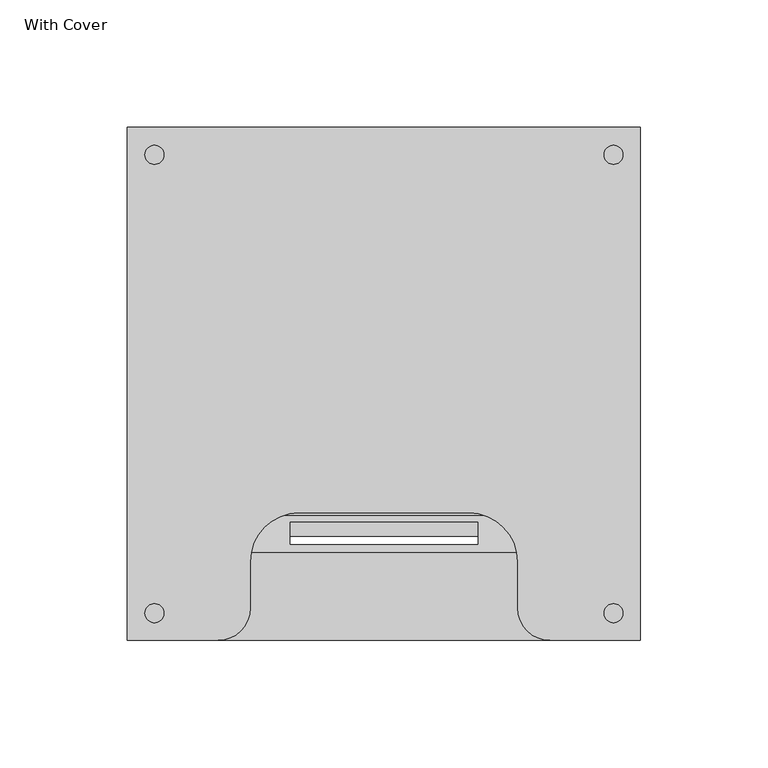
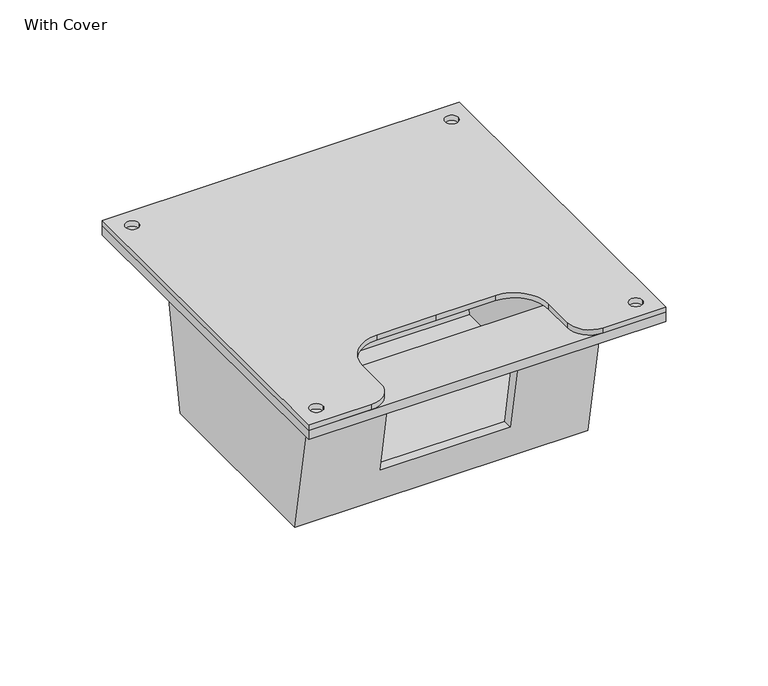
"""IFC4 building model written with IfcOpenShell, lengths in millimetres: proxy geometry, With Cover."""

from ifc_helpers import new_model, si_unit, point, frame, frame_2d, origin, origin_with_axes, place, context, project, spatial, polyline, circle_curve, trimmed, segment, composite_curve, outline, extrude, faceted_brep, source, transform, mapped, element, save


def with_cover_51195d28(model_context):
    return source(origin(), model_context, "Body", "SolidModel", [
        extrude(outline(composite_curve([segment(polyline([(100.584, 100.584), (100.584, -100.584), (65.151, -100.584)]), True, "CONTINUOUS"), segment(trimmed(circle_curve(frame_2d((65.151, -87.884)), 12.7), [point((65.151, -100.584))], [point((52.451, -87.884))], False, "CARTESIAN"), True, "CONTINUOUS"), segment(polyline([(52.451, -87.884), (52.451, -69.6204158)]), True, "CONTINUOUS"), segment(trimmed(circle_curve(frame_2d((33.401, -69.6204158)), 19.05), [point((52.451, -69.6204158))], [point((33.401, -50.5704158))], True, "CARTESIAN"), True, "CONTINUOUS"), segment(polyline([(33.401, -50.5704158), (0.0, -50.5704158), (-33.401, -50.5704158)]), True, "CONTINUOUS"), segment(trimmed(circle_curve(frame_2d((-33.401, -69.6204158)), 19.05), [point((-33.401, -50.5704158))], [point((-52.451, -69.6204158))], True, "CARTESIAN"), True, "CONTINUOUS"), segment(polyline([(-52.451, -69.6204158), (-52.451, -87.884)]), True, "CONTINUOUS"), segment(trimmed(circle_curve(frame_2d((-65.151, -87.884)), 12.7), [point((-52.451, -87.884))], [point((-65.151, -100.584))], False, "CARTESIAN"), True, "CONTINUOUS"), segment(polyline([(-65.151, -100.584), (-100.584, -100.584), (-100.584, 100.584), (100.584, 100.584)]), True, "CONTINUOUS")], self_intersect=False), holes=[composite_curve([segment(trimmed(circle_curve(frame_2d((-90.0128332, 89.8594017)), 3.7140869), [point((-93.7269201, 89.8594017))], [point((-86.2987463, 89.8594017))], True, "CARTESIAN"), True, "CONTINUOUS"), segment(trimmed(circle_curve(frame_2d((-90.0128332, 89.8594017)), 3.7140869), [point((-86.2987463, 89.8594017))], [point((-93.7269201, 89.8594017))], True, "CARTESIAN"), True, "CONTINUOUS")], self_intersect=False), composite_curve([segment(trimmed(circle_curve(frame_2d((90.0128332, 89.8594017)), 3.7140869), [point((86.2987463, 89.8594017))], [point((93.7269201, 89.8594017))], True, "CARTESIAN"), True, "CONTINUOUS"), segment(trimmed(circle_curve(frame_2d((90.0128332, 89.8594017)), 3.7140869), [point((93.7269201, 89.8594017))], [point((86.2987463, 89.8594017))], True, "CARTESIAN"), True, "CONTINUOUS")], self_intersect=False), composite_curve([segment(trimmed(circle_curve(frame_2d((-90.0128332, -89.8594017)), 3.7140869), [point((-93.7269201, -89.8594017))], [point((-86.2987463, -89.8594017))], True, "CARTESIAN"), True, "CONTINUOUS"), segment(trimmed(circle_curve(frame_2d((-90.0128332, -89.8594017)), 3.7140869), [point((-86.2987463, -89.8594017))], [point((-93.7269201, -89.8594017))], True, "CARTESIAN"), True, "CONTINUOUS")], self_intersect=False), composite_curve([segment(trimmed(circle_curve(frame_2d((90.0128332, -89.8594017)), 3.7140869), [point((86.2987463, -89.8594017))], [point((93.7269201, -89.8594017))], True, "CARTESIAN"), True, "CONTINUOUS"), segment(trimmed(circle_curve(frame_2d((90.0128332, -89.8594017)), 3.7140869), [point((93.7269201, -89.8594017))], [point((86.2987463, -89.8594017))], True, "CARTESIAN"), True, "CONTINUOUS")], self_intersect=False)]), frame((0.0, 0.0, 5.588), z_axis=(0.0, 0.0, 1.0), x_axis=(1.0, 0.0, 0.0)), (0.0, 0.0, 1.0), 3.048),
        extrude(outline(polyline([(100.584, 100.584), (100.584, -100.584), (-100.584, -100.584), (-100.584, 100.584), (100.584, 100.584)]), holes=[polyline([(77.851, 65.913), (-77.851, 65.913), (-77.851, -65.913), (77.851, -65.913), (77.851, 65.913)])]), origin_with_axes(), (0.0, 0.0, 1.0), 5.588),
        faceted_brep([(82.55, -71.4880474, 0.0), (82.55, 71.4880474, 0.0), (-82.55, 71.4880474, 0.0), (-82.55, -71.4880474, 0.0), (-77.851, 65.913, 0.0), (77.851, 65.913, 0.0), (77.851, -65.913, 0.0), (-77.851, -65.913, 0.0), (-77.851, 51.5137842, -80.01), (77.851, 51.5137842, -80.01), (36.703, 62.7919602, -17.3422221), (36.703, 54.1596689, -65.3080024), (-36.703, 54.1596689, -65.3080024), (-36.703, 62.7919602, -17.3422221), (-77.851, -51.5137842, -80.01), (77.851, -51.5137842, -80.01), (36.703, -54.1596689, -65.3080024), (36.703, -62.7919602, -17.3422221), (-36.703, -62.7919602, -17.3422221), (-36.703, -54.1596689, -65.3080024), (82.55, -56.083172, -85.598), (-82.55, -56.083172, -85.598), (36.703, -68.3670075, -17.3422221), (36.703, -59.7347163, -65.3080024), (-36.703, -59.7347163, -65.3080024), (-36.703, -68.3670075, -17.3422221), (82.55, 56.083172, -85.598), (-82.55, 56.083172, -85.598), (36.703, 59.7347163, -65.3080024), (36.703, 68.3670075, -17.3422221), (-36.703, 68.3670075, -17.3422221), (-36.703, 59.7347163, -65.3080024)], [[[0, 1, 2, 3], [4, 5, 6, 7]], [[5, 4, 8, 9], [10, 11, 12, 13]], [[9, 8, 14, 15]], [[15, 14, 7, 6], [16, 17, 18, 19]], [[20, 0, 3, 21], [22, 23, 24, 25]], [[26, 20, 21, 27]], [[1, 26, 27, 2], [28, 29, 30, 31]], [[6, 5, 9, 15]], [[20, 26, 1, 0]], [[4, 7, 14, 8]], [[21, 3, 2, 27]], [[10, 29, 28, 11]], [[12, 31, 30, 13]], [[11, 28, 31, 12]], [[29, 10, 13, 30]], [[16, 23, 22, 17]], [[18, 25, 24, 19]], [[23, 16, 19, 24]], [[17, 22, 25, 18]]]),
    ])


if __name__ == "__main__":
    model = new_model("IFC4")
    model_context = context("Model", 3, world=origin())
    ifc_project = project(units=[si_unit("LENGTHUNIT", "METRE", prefix="MILLI")], contexts=[model_context])
    site = spatial("IfcSite", under=ifc_project)
    building = spatial("IfcBuilding", under=site)
    placement = place(None, origin())
    with_cover_shape = with_cover_51195d28(model_context)
    element("IfcBuildingElementProxy", 1, Name="With Cover", ObjectType="With Cover", at=placement, inside=building, context=model_context, shape_type="MappedRepresentation", body=[
        mapped(with_cover_shape, transform((0.0, 0.0, 0.0), x_axis=(1.0, 0.0, 0.0), y_axis=(0.0, 1.0, 0.0), z_axis=(0.0, 0.0, 1.0))),
    ])
    save(model, "model.ifc")
